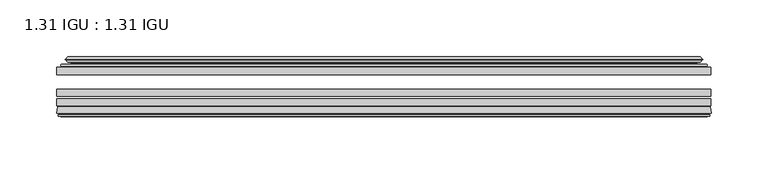
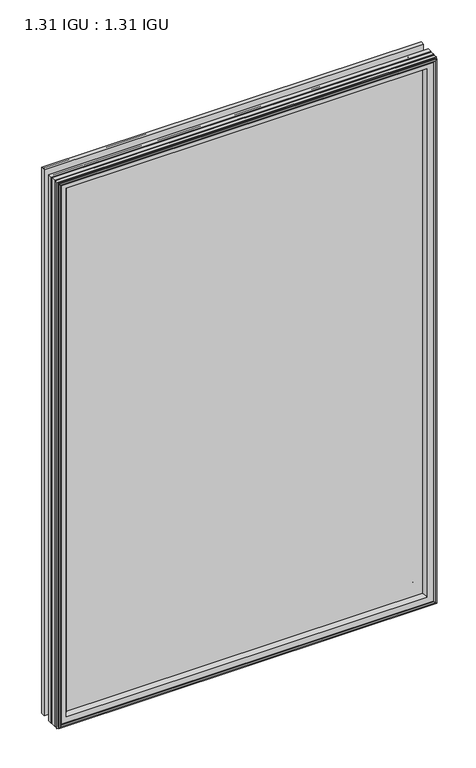
"""IFC4 building model written with IfcOpenShell, lengths in millimetres: plate geometry, 1.31 IGU : 1.31 IGU."""

from ifc_helpers import new_model, si_unit, frame, origin, place, context, project, spatial, polyline, ellipse_curve, outline, extrude, source, transform, mapped, element, save
from ifc_brep_helpers import plane_surface, cylinder_surface, revolved_surface, advanced_brep


def plate_1_31_igu_1_31_igu_9f698fa1(model_context):
    return source(origin(), model_context, "Body", "SolidModel", [
        extrude(outline(polyline([(287.2705532, -51.7723437), (287.2705532, -58.1223438), (-287.3375, -58.1223438), (-287.3375, -51.7723437), (287.2705532, -51.7723437)])), frame((0.0, 0.0, -14.2875), z_axis=(0.0, 0.0, 1.0), x_axis=(1.0, 0.0, 0.0)), (0.0, 0.0, 1.0), 873.125),
        extrude(outline(polyline([(-287.3375, -85.4273438), (-287.3375, -79.0773437), (287.2705532, -79.0773437), (287.2705532, -85.4273438), (-287.3375, -85.4273438)])), frame((0.0, 0.0, -14.2875), z_axis=(0.0, 0.0, 1.0), x_axis=(1.0, 0.0, 0.0)), (0.0, 0.0, 1.0), 873.125),
        extrude(outline(polyline([(-287.3375, -77.1723438), (-287.3375, -70.8223438), (287.2705532, -70.8223438), (287.2705532, -77.1723438), (-287.3375, -77.1723438)])), frame((0.0, 0.0, -14.2875), z_axis=(0.0, 0.0, 1.0), x_axis=(1.0, 0.0, 0.0)), (0.0, 0.0, 1.0), 873.125),
        advanced_brep(
        [(-287.3502, -91.7773437, 858.8502), (-286.6554162, -86.1187838, 858.1554162), (-286.6554162, -86.1187838, -13.6054162), (-287.3502, -91.7773437, -14.3002), (-284.9626, -93.768408, 856.4626), (-285.4198, -91.7773437, 856.9198), (-285.4198, -91.7773437, -12.3698), (-284.9626, -93.768408, -11.9126), (-285.9639619, -93.5000939, 857.4639619), (-285.9639619, -93.5000939, -12.9139619), (-286.2072, -94.407871, 857.7072), (-286.2072, -94.407871, -13.1572), (-284.1752, -94.9523437, 855.6752), (-284.1752, -94.9523437, -11.1252), (-282.1432, -94.407871, 853.6432), (-282.1432, -94.407871, -9.0932), (-282.3864381, -93.5000939, 853.8864381), (-282.3864381, -93.5000939, -9.3364381), (-283.3878, -93.768408, 854.8878), (-283.3878, -93.768408, -10.3378), (-282.9306, -91.7773437, 854.4306), (-282.9306, -91.7773437, -9.8806), (-268.8609786, -85.4273437, 840.3609786), (-273.05, -91.7773437, 844.55), (-273.05, -91.7773437, 0.0), (-268.8609786, -85.4273437, 4.1890214), (-285.8738854, -85.4273437, 857.3738854), (-285.8738854, -85.4273437, -12.8238854), (286.6554162, -86.1187838, -13.6054162), (287.3502, -91.7773437, -14.3002), (285.4198, -91.7773437, -12.3698), (284.9626, -93.768408, -11.9126), (285.9639619, -93.5000939, -12.9139619), (286.2072, -94.407871, -13.1572), (284.1752, -94.9523437, -11.1252), (282.1432, -94.407871, -9.0932), (282.3864381, -93.5000939, -9.3364381), (283.3878, -93.768408, -10.3378), (282.9306, -91.7773437, -9.8806), (273.05, -91.7773437, 0.0), (268.8609786, -85.4273437, 4.1890214), (285.8738854, -85.4273437, -12.8238854), (286.6554162, -86.1187838, 858.1554162), (287.3502, -91.7773437, 858.8502), (285.4198, -91.7773437, 856.9198), (284.9626, -93.768408, 856.4626), (285.9639619, -93.5000939, 857.4639619), (286.2072, -94.407871, 857.7072), (284.1752, -94.9523437, 855.6752), (282.1432, -94.407871, 853.6432), (282.3864381, -93.5000939, 853.8864381), (283.3878, -93.768408, 854.8878), (282.9306, -91.7773437, 854.4306), (273.05, -91.7773437, 844.55), (268.8609786, -85.4273437, 840.3609786), (285.8738854, -85.4273437, 857.3738854)],
        [
            (0, 1),
            (1, 2),
            (2, 3),
            (3, 0),
            (4, 5),
            (5, 6),
            (6, 7),
            (7, 4),
            (8, 4),
            (7, 9),
            (9, 8),
            (10, 8),
            (9, 11),
            (11, 10),
            (12, 10),
            (11, 13),
            (13, 12),
            (14, 12),
            (13, 15),
            (15, 14),
            (16, 14),
            (15, 17),
            (17, 16),
            (18, 16),
            (17, 19),
            (19, 18),
            (20, 18),
            (19, 21),
            (21, 20),
            (22, 23, ellipse_curve(frame((-266.066106, -91.8278132, 837.566106), z_axis=(0.7071067811865475, 0.0, 0.7071067811865475), x_axis=(0.7071067811865474, 0.0, -0.7071067811865476)), 9.8769754, 6.9840763)),
            (23, 24),
            (24, 25, ellipse_curve(frame((-266.066106, -91.8278132, 6.983894), z_axis=(0.7071067811865475, 0.0, -0.7071067811865475), x_axis=(-0.7071067811865474, 0.0, -0.7071067811865476)), 9.8769754, 6.9840763)),
            (25, 22),
            (1, 26, ellipse_curve(frame((-285.8738854, -86.2147437, 857.3738854), z_axis=(-0.7071067811865475, 0.0, -0.7071067811865475), x_axis=(-0.7071067811865474, 0.0, 0.7071067811865476)), 1.1135518, 0.7874)),
            (26, 27),
            (27, 2, ellipse_curve(frame((-285.8738854, -86.2147437, -12.8238854), z_axis=(-0.7071067811865475, 0.0, 0.7071067811865475), x_axis=(0.7071067811865474, 0.0, 0.7071067811865476)), 1.1135518, 0.7874)),
            (2, 28),
            (28, 29),
            (29, 3),
            (6, 30),
            (30, 31),
            (31, 7),
            (31, 32),
            (32, 9),
            (32, 33),
            (33, 11),
            (33, 34),
            (34, 13),
            (34, 35),
            (35, 15),
            (35, 36),
            (36, 17),
            (36, 37),
            (37, 19),
            (37, 38),
            (38, 21),
            (24, 39),
            (39, 40, ellipse_curve(frame((266.066106, -91.8278132, 6.983894), z_axis=(0.7071067811865475, 0.0, 0.7071067811865475), x_axis=(0.7071067811865476, 0.0, -0.7071067811865474)), 9.8769754, 6.9840763)),
            (40, 25),
            (27, 41),
            (41, 28, ellipse_curve(frame((285.8738854, -86.2147437, -12.8238854), z_axis=(-0.7071067811865475, 0.0, -0.7071067811865475), x_axis=(-0.7071067811865476, 0.0, 0.7071067811865474)), 1.1135518, 0.7874)),
            (28, 42),
            (42, 43),
            (43, 29),
            (30, 44),
            (44, 45),
            (45, 31),
            (45, 46),
            (46, 32),
            (46, 47),
            (47, 33),
            (47, 48),
            (48, 34),
            (48, 49),
            (49, 35),
            (49, 50),
            (50, 36),
            (50, 51),
            (51, 37),
            (51, 52),
            (52, 38),
            (39, 53),
            (53, 54, ellipse_curve(frame((266.066106, -91.8278132, 837.566106), z_axis=(-0.7071067811865475, 0.0, 0.7071067811865475), x_axis=(0.7071067811865474, 0.0, 0.7071067811865476)), 9.8769754, 6.9840763)),
            (54, 40),
            (41, 55),
            (55, 42, ellipse_curve(frame((285.8738854, -86.2147437, 857.3738854), z_axis=(0.7071067811865475, 0.0, -0.7071067811865475), x_axis=(-0.7071067811865474, 0.0, -0.7071067811865476)), 1.1135518, 0.7874)),
            (42, 1),
            (0, 43),
            (5, 44),
            (4, 45),
            (8, 46),
            (10, 47),
            (12, 48),
            (14, 49),
            (16, 50),
            (18, 51),
            (20, 52),
            (23, 53),
            (22, 54),
            (26, 55),
        ],
        [
            plane_surface(frame((-286.6554162, -86.1187838, 858.1554162), z_axis=(-0.9925461516413241, 0.12186934340513103, 0.0), x_axis=(0.0, 0.0, -1.0))),
            plane_surface(frame((-285.4198, -91.7773437, 856.9198), z_axis=(-0.9746347637895992, -0.22380142361654515, 0.0), x_axis=(0.0, 0.0, -1.0))),
            plane_surface(frame((-284.9626, -93.768408, 856.4626), z_axis=(0.25881904510266784, 0.9659258262890289, 0.0), x_axis=(0.0, 0.0, -1.0))),
            plane_surface(frame((-285.9639619, -93.5000939, 857.4639619), z_axis=(-0.9659258262890449, 0.2588190451026083, 0.0), x_axis=(0.0, 0.0, -1.0))),
            plane_surface(frame((-286.2072, -94.407871, 857.7072), z_axis=(-0.25881904510250453, -0.9659258262890726, 0.0), x_axis=(0.0, 0.0, -1.0))),
            plane_surface(frame((-284.1752, -94.9523437, 855.6752), z_axis=(0.258819045102479, -0.9659258262890795, 0.0), x_axis=(0.0, 0.0, -1.0))),
            plane_surface(frame((-282.1432, -94.407871, 853.6432), z_axis=(0.9659258262890272, 0.25881904510267406, 0.0), x_axis=(0.0, 0.0, -1.0))),
            plane_surface(frame((-282.3864381, -93.5000939, 853.8864381), z_axis=(-0.25881904510234177, 0.9659258262891163, 0.0), x_axis=(0.0, 0.0, -1.0))),
            plane_surface(frame((-283.3878, -93.768408, 854.8878), z_axis=(0.9746347637895937, -0.22380142361656946, 0.0), x_axis=(0.0, 0.0, -1.0))),
            revolved_surface(polyline([(-273.0501823, -91.8278132, -0.00018228295277822326), (-273.0501823, -91.8278132, 844.5501822829527)]), (-266.066106, -91.8278132, 876.3), (0.0, 0.0, -1.0)),
            cylinder_surface(frame((-285.8738854, -86.2147437, 876.3), z_axis=(0.0, 0.0, 1.0), x_axis=(-1.0, 0.0, 0.0)), 0.7874),
            plane_surface(frame((-286.6554162, -86.1187838, -13.6054162), z_axis=(0.0, 0.12186934340512784, -0.9925461516413245), x_axis=(1.0, 0.0, 0.0))),
            plane_surface(frame((-285.4198, -91.7773437, -12.3698), z_axis=(0.0, -0.22380142361654828, -0.9746347637895986), x_axis=(1.0, 0.0, 0.0))),
            plane_surface(frame((-284.9626, -93.768408, -11.9126), z_axis=(0.0, 0.9659258262890298, 0.25881904510266474), x_axis=(1.0, 0.0, 0.0))),
            plane_surface(frame((-285.9639619, -93.5000939, -12.9139619), z_axis=(0.0, 0.25881904510260517, -0.9659258262890458), x_axis=(1.0, 0.0, 0.0))),
            plane_surface(frame((-286.2072, -94.407871, -13.1572), z_axis=(0.0, -0.9659258262890735, -0.2588190451025014), x_axis=(1.0, 0.0, 0.0))),
            plane_surface(frame((-284.1752, -94.9523437, -11.1252), z_axis=(0.0, -0.9659258262890786, 0.2588190451024821), x_axis=(1.0, 0.0, 0.0))),
            plane_surface(frame((-282.1432, -94.407871, -9.0932), z_axis=(0.0, 0.2588190451026772, 0.9659258262890265), x_axis=(1.0, 0.0, 0.0))),
            plane_surface(frame((-282.3864381, -93.5000939, -9.3364381), z_axis=(0.0, 0.9659258262891154, -0.2588190451023449), x_axis=(1.0, 0.0, 0.0))),
            plane_surface(frame((-283.3878, -93.768408, -10.3378), z_axis=(0.0, -0.22380142361656633, 0.9746347637895943), x_axis=(1.0, 0.0, 0.0))),
            revolved_surface(polyline([(273.0501822829527, -91.8278132, -0.00018229999999963553), (-273.0501822829527, -91.8278132, -0.00018229999999963553)]), (-304.8, -91.8278132, 6.983894), (1.0, 0.0, 0.0)),
            cylinder_surface(frame((-304.8, -86.2147437, -12.8238854), z_axis=(-1.0, 0.0, 0.0), x_axis=(0.0, 0.0, -1.0)), 0.7874),
            plane_surface(frame((286.6554162, -86.1187838, -13.6054162), z_axis=(0.992546151641325, 0.12186934340512465, 0.0), x_axis=(0.0, 0.0, 1.0))),
            plane_surface(frame((285.4198, -91.7773437, -12.3698), z_axis=(0.9746347637895978, -0.2238014236165514, 0.0), x_axis=(0.0, 0.0, 1.0))),
            plane_surface(frame((284.9626, -93.768408, -11.9126), z_axis=(-0.2588190451026616, 0.9659258262890307, 0.0), x_axis=(0.0, 0.0, 1.0))),
            plane_surface(frame((285.9639619, -93.5000939, -12.9139619), z_axis=(0.9659258262890467, 0.25881904510260206, 0.0), x_axis=(0.0, 0.0, 1.0))),
            plane_surface(frame((286.2072, -94.407871, -13.1572), z_axis=(0.2588190451024983, -0.9659258262890744, 0.0), x_axis=(0.0, 0.0, 1.0))),
            plane_surface(frame((284.1752, -94.9523437, -11.1252), z_axis=(-0.25881904510248527, -0.9659258262890779, 0.0), x_axis=(0.0, 0.0, 1.0))),
            plane_surface(frame((282.1432, -94.407871, -9.0932), z_axis=(-0.9659258262890256, 0.25881904510268033, 0.0), x_axis=(0.0, 0.0, 1.0))),
            plane_surface(frame((282.3864381, -93.5000939, -9.3364381), z_axis=(0.25881904510234804, 0.9659258262891146, 0.0), x_axis=(0.0, 0.0, 1.0))),
            plane_surface(frame((283.3878, -93.768408, -10.3378), z_axis=(-0.974634763789595, -0.2238014236165632, 0.0), x_axis=(0.0, 0.0, 1.0))),
            revolved_surface(polyline([(273.0501823, -91.8278132, 844.5501822829527), (273.0501823, -91.8278132, -0.0001822829527107217)]), (266.066106, -91.8278132, -31.75), (0.0, 0.0, 1.0)),
            cylinder_surface(frame((285.8738854, -86.2147437, -31.75), z_axis=(0.0, 0.0, -1.0), x_axis=(1.0, 0.0, 0.0)), 0.7874),
            plane_surface(frame((286.6554162, -86.1187838, 858.1554162), z_axis=(0.0, 0.12186934340512784, 0.9925461516413245), x_axis=(-1.0, 0.0, 0.0))),
            plane_surface(frame((287.3502, -91.7773437, 858.8502), z_axis=(0.0, -1.0, 0.0), x_axis=(-1.0, 0.0, 0.0))),
            plane_surface(frame((285.4198, -91.7773437, 856.9198), z_axis=(0.0, -0.22380142361654826, 0.9746347637895985), x_axis=(-1.0, 0.0, 0.0))),
            plane_surface(frame((284.9626, -93.768408, 856.4626), z_axis=(0.0, 0.9659258262890298, -0.25881904510266474), x_axis=(-1.0, 0.0, 0.0))),
            plane_surface(frame((285.9639619, -93.5000939, 857.4639619), z_axis=(0.0, 0.25881904510260517, 0.9659258262890458), x_axis=(-1.0, 0.0, 0.0))),
            plane_surface(frame((286.2072, -94.407871, 857.7072), z_axis=(0.0, -0.9659258262890735, 0.2588190451025014), x_axis=(-1.0, 0.0, 0.0))),
            plane_surface(frame((284.1752, -94.9523437, 855.6752), z_axis=(0.0, -0.9659258262890787, -0.25881904510248216), x_axis=(-1.0, 0.0, 0.0))),
            plane_surface(frame((282.1432, -94.407871, 853.6432), z_axis=(0.0, 0.2588190451026772, -0.9659258262890265), x_axis=(-1.0, 0.0, 0.0))),
            plane_surface(frame((282.3864381, -93.5000939, 853.8864381), z_axis=(0.0, 0.9659258262891155, 0.25881904510234494), x_axis=(-1.0, 0.0, 0.0))),
            plane_surface(frame((283.3878, -93.768408, 854.8878), z_axis=(0.0, -0.22380142361656633, -0.9746347637895943), x_axis=(-1.0, 0.0, 0.0))),
            plane_surface(frame((282.9306, -91.7773437, 854.4306), z_axis=(0.0, -1.0, 0.0), x_axis=(-1.0, 0.0, 0.0))),
            revolved_surface(polyline([(-273.0501822829527, -91.8278132, 844.5501823), (273.0501822829527, -91.8278132, 844.5501823)]), (304.8, -91.8278132, 837.566106), (-1.0, 0.0, 0.0)),
            plane_surface(frame((268.8609786, -85.4273437, 840.3609786), z_axis=(0.0, 1.0, 0.0), x_axis=(-1.0, 0.0, 0.0))),
            cylinder_surface(frame((304.8, -86.2147437, 857.3738854), z_axis=(1.0, 0.0, 0.0), x_axis=(0.0, 0.0, 1.0)), 0.7874),
        ],
        [
            (0, [[1, 2, 3, 4]]),
            (1, [[5, 6, 7, 8]]),
            (2, [[9, -8, 10, 11]]),
            (3, [[12, -11, 13, 14]]),
            (4, [[15, -14, 16, 17]]),
            (5, [[18, -17, 19, 20]]),
            (6, [[21, -20, 22, 23]]),
            (7, [[24, -23, 25, 26]]),
            (8, [[27, -26, 28, 29]]),
            (9, [[30, 31, 32, 33]]),
            (10, [[34, 35, 36, -2]]),
            (11, [[-3, 37, 38, 39]]),
            (12, [[-7, 40, 41, 42]]),
            (13, [[-10, -42, 43, 44]]),
            (14, [[-13, -44, 45, 46]]),
            (15, [[-16, -46, 47, 48]]),
            (16, [[-19, -48, 49, 50]]),
            (17, [[-22, -50, 51, 52]]),
            (18, [[-25, -52, 53, 54]]),
            (19, [[-28, -54, 55, 56]]),
            (20, [[-32, 57, 58, 59]]),
            (21, [[-36, 60, 61, -37]]),
            (22, [[-38, 62, 63, 64]]),
            (23, [[-41, 65, 66, 67]]),
            (24, [[-43, -67, 68, 69]]),
            (25, [[-45, -69, 70, 71]]),
            (26, [[-47, -71, 72, 73]]),
            (27, [[-49, -73, 74, 75]]),
            (28, [[-51, -75, 76, 77]]),
            (29, [[-53, -77, 78, 79]]),
            (30, [[-55, -79, 80, 81]]),
            (31, [[-58, 82, 83, 84]]),
            (32, [[-61, 85, 86, -62]]),
            (33, [[-63, 87, -1, 88]]),
            (34, [[-39, -64, -88, -4], [89, -65, -40, -6]]),
            (35, [[-66, -89, -5, 90]]),
            (36, [[-68, -90, -9, 91]]),
            (37, [[-70, -91, -12, 92]]),
            (38, [[-72, -92, -15, 93]]),
            (39, [[-74, -93, -18, 94]]),
            (40, [[-76, -94, -21, 95]]),
            (41, [[-78, -95, -24, 96]]),
            (42, [[-80, -96, -27, 97]]),
            (43, [[-56, -81, -97, -29], [98, -82, -57, -31]]),
            (44, [[-83, -98, -30, 99]]),
            (45, [[100, -85, -60, -35], [-59, -84, -99, -33]]),
            (46, [[-86, -100, -34, -87]]),
        ],
    ),
        advanced_brep(
        [(-269.0022902, -50.6812421, 840.5022902), (-269.4441004, -51.7723437, 840.9441004), (-269.4441004, -51.7723437, 3.6058996), (-269.0022902, -50.6812421, 4.0477098), (-273.05, -42.9585437, 844.55), (-273.05, -42.9585437, 0.0), (-278.2359109, -44.1396428, 849.7359109), (-278.2359109, -44.1396428, -5.1859109), (-277.9063356, -43.3125262, 849.4063356), (-277.9063356, -43.3125262, -4.8563356), (-277.9063356, -42.4982749, 849.4063356), (-277.9063356, -42.4982749, -4.8563356), (-279.7226111, -44.4569108, 851.2226111), (-279.7226111, -44.4569108, -6.6726111), (-279.7226111, -45.1700367, 851.2226111), (-279.7226111, -45.1700367, -6.6726111), (-277.9063356, -47.1188911, 849.4063356), (-277.9063356, -47.1188911, -4.8563356), (-277.9063356, -46.3144213, 849.4063356), (-277.9063356, -46.3144213, -4.8563356), (-278.2282501, -45.5065305, 849.7282501), (-278.2282501, -45.5065305, -5.1782501), (-275.7044379, -45.3481387, 847.2044379), (-275.7044379, -45.3481387, -2.6544379), (-274.6786217, -46.0358481, 846.1786217), (-274.6786217, -46.0358481, -1.6286217), (-274.7970288, -47.4303169, 846.2970288), (-274.7970288, -47.4303169, -1.7470288), (-275.3987748, -48.9275437, 846.8987748), (-275.3987748, -48.9275437, -2.3487748), (-283.3245553, -50.8359667, 854.8245553), (-282.8389245, -48.9275437, 854.3389245), (-282.8389245, -48.9275437, -9.7889245), (-283.3245553, -50.8359667, -10.2745553), (-281.6038155, -51.7723437, 853.1038155), (-281.6038155, -51.7723437, -8.5538155), (269.4441004, -51.7723437, 3.6058996), (269.0022902, -50.6812421, 4.0477098), (273.05, -42.9585437, 0.0), (278.2359109, -44.1396428, -5.1859109), (277.9063356, -43.3125262, -4.8563356), (277.9063356, -42.4982749, -4.8563356), (279.7226111, -44.4569108, -6.6726111), (279.7226111, -45.1700367, -6.6726111), (277.9063356, -47.1188911, -4.8563356), (277.9063356, -46.3144213, -4.8563356), (278.2282501, -45.5065305, -5.1782501), (275.7044379, -45.3481387, -2.6544379), (274.6786217, -46.0358481, -1.6286217), (274.7970288, -47.4303169, -1.7470288), (275.3987748, -48.9275437, -2.3487748), (282.8389245, -48.9275437, -9.7889245), (283.3245553, -50.8359667, -10.2745553), (281.6038155, -51.7723437, -8.5538155), (269.4441004, -51.7723437, 840.9441004), (269.0022902, -50.6812421, 840.5022902), (273.05, -42.9585437, 844.55), (278.2359109, -44.1396428, 849.7359109), (277.9063356, -43.3125262, 849.4063356), (277.9063356, -42.4982749, 849.4063356), (279.7226111, -44.4569108, 851.2226111), (279.7226111, -45.1700367, 851.2226111), (277.9063356, -47.1188911, 849.4063356), (277.9063356, -46.3144213, 849.4063356), (278.2282501, -45.5065305, 849.7282501), (275.7044379, -45.3481387, 847.2044379), (274.6786217, -46.0358481, 846.1786217), (274.7970288, -47.4303169, 846.2970288), (275.3987748, -48.9275437, 846.8987748), (282.8389245, -48.9275437, 854.3389245), (283.3245553, -50.8359667, 854.8245553), (281.6038155, -51.7723437, 853.1038155)],
        [
            (0, 1, ellipse_curve(frame((-269.4441004, -51.1373437, 840.9441004), z_axis=(-0.7071067811865475, 0.0, -0.7071067811865475), x_axis=(-0.7071067811865474, 0.0, 0.7071067811865476)), 0.8980256, 0.635)),
            (1, 2),
            (2, 3, ellipse_curve(frame((-269.4441004, -51.1373437, 3.6058996), z_axis=(-0.7071067811865475, 0.0, 0.7071067811865475), x_axis=(0.7071067811865474, 0.0, 0.7071067811865476)), 0.8980256, 0.635)),
            (3, 0),
            (4, 0, ellipse_curve(frame((-259.3172054, -40.6828682, 830.8172054), z_axis=(0.7071067811865475, 0.0, 0.7071067811865475), x_axis=(0.7071067811865474, 0.0, -0.7071067811865476)), 19.6859517, 13.9200699)),
            (3, 5, ellipse_curve(frame((-259.3172054, -40.6828682, 13.7327946), z_axis=(0.7071067811865475, 0.0, -0.7071067811865475), x_axis=(-0.7071067811865474, 0.0, -0.7071067811865476)), 19.6859517, 13.9200699)),
            (5, 4),
            (6, 4),
            (5, 7),
            (7, 6),
            (8, 6),
            (7, 9),
            (9, 8),
            (10, 8),
            (9, 11),
            (11, 10),
            (12, 10),
            (11, 13),
            (13, 12),
            (14, 12, ellipse_curve(frame((-279.3607729, -44.8134737, 850.8607729), z_axis=(-0.7071067811865475, 0.0, -0.7071067811865475), x_axis=(-0.7071067811865474, 0.0, 0.7071067811865476)), 0.7184205, 0.508)),
            (13, 15, ellipse_curve(frame((-279.3607729, -44.8134737, -6.3107729), z_axis=(-0.7071067811865475, 0.0, 0.7071067811865475), x_axis=(0.7071067811865474, 0.0, 0.7071067811865476)), 0.7184205, 0.508)),
            (15, 14),
            (16, 14),
            (15, 17),
            (17, 16),
            (18, 16),
            (17, 19),
            (19, 18),
            (20, 18),
            (19, 21),
            (21, 20),
            (22, 20),
            (21, 23),
            (23, 22),
            (24, 22, ellipse_curve(frame((-275.6408, -46.3621437, 847.1408), z_axis=(0.7071067811865475, 0.0, 0.7071067811865475), x_axis=(0.7071067811865474, 0.0, -0.7071067811865476)), 1.436841, 1.016)),
            (23, 25, ellipse_curve(frame((-275.6408, -46.3621437, -2.5908), z_axis=(0.7071067811865475, 0.0, -0.7071067811865475), x_axis=(-0.7071067811865474, 0.0, -0.7071067811865476)), 1.436841, 1.016)),
            (25, 24),
            (26, 24, ellipse_curve(frame((-277.0124, -46.5399437, 848.5124), z_axis=(0.7071067811865475, 0.0, 0.7071067811865475), x_axis=(0.7071067811865474, 0.0, -0.7071067811865476)), 3.3765763, 2.3876)),
            (25, 27, ellipse_curve(frame((-277.0124, -46.5399437, -3.9624), z_axis=(0.7071067811865475, 0.0, -0.7071067811865475), x_axis=(-0.7071067811865474, 0.0, -0.7071067811865476)), 3.3765763, 2.3876)),
            (27, 26),
            (28, 26),
            (27, 29),
            (29, 28),
            (30, 31, ellipse_curve(frame((-282.8389245, -49.9435437, 854.3389245), z_axis=(-0.7071067811865475, 0.0, -0.7071067811865475), x_axis=(-0.7071067811865474, 0.0, 0.7071067811865476)), 1.436841, 1.016)),
            (31, 32),
            (32, 33, ellipse_curve(frame((-282.8389245, -49.9435437, -9.7889245), z_axis=(-0.7071067811865475, 0.0, 0.7071067811865475), x_axis=(0.7071067811865474, 0.0, 0.7071067811865476)), 1.436841, 1.016)),
            (33, 30),
            (34, 30),
            (33, 35),
            (35, 34),
            (2, 36),
            (36, 37, ellipse_curve(frame((269.4441004, -51.1373437, 3.6058996), z_axis=(-0.7071067811865475, 0.0, -0.7071067811865475), x_axis=(-0.7071067811865476, 0.0, 0.7071067811865474)), 0.8980256, 0.635)),
            (37, 3),
            (37, 38, ellipse_curve(frame((259.3172054, -40.6828682, 13.7327946), z_axis=(0.7071067811865475, 0.0, 0.7071067811865475), x_axis=(0.7071067811865476, 0.0, -0.7071067811865474)), 19.6859517, 13.9200699)),
            (38, 5),
            (38, 39),
            (39, 7),
            (39, 40),
            (40, 9),
            (40, 41),
            (41, 11),
            (41, 42),
            (42, 13),
            (42, 43, ellipse_curve(frame((279.3607729, -44.8134737, -6.3107729), z_axis=(-0.7071067811865475, 0.0, -0.7071067811865475), x_axis=(-0.7071067811865476, 0.0, 0.7071067811865474)), 0.7184205, 0.508)),
            (43, 15),
            (43, 44),
            (44, 17),
            (44, 45),
            (45, 19),
            (45, 46),
            (46, 21),
            (46, 47),
            (47, 23),
            (47, 48, ellipse_curve(frame((275.6408, -46.3621437, -2.5908), z_axis=(0.7071067811865475, 0.0, 0.7071067811865475), x_axis=(0.7071067811865476, 0.0, -0.7071067811865474)), 1.436841, 1.016)),
            (48, 25),
            (48, 49, ellipse_curve(frame((277.0124, -46.5399437, -3.9624), z_axis=(0.7071067811865475, 0.0, 0.7071067811865475), x_axis=(0.7071067811865476, 0.0, -0.7071067811865474)), 3.3765763, 2.3876)),
            (49, 27),
            (49, 50),
            (50, 29),
            (32, 51),
            (51, 52, ellipse_curve(frame((282.8389245, -49.9435437, -9.7889245), z_axis=(-0.7071067811865475, 0.0, -0.7071067811865475), x_axis=(-0.7071067811865476, 0.0, 0.7071067811865474)), 1.436841, 1.016)),
            (52, 33),
            (52, 53),
            (53, 35),
            (36, 54),
            (54, 55, ellipse_curve(frame((269.4441004, -51.1373437, 840.9441004), z_axis=(0.7071067811865475, 0.0, -0.7071067811865475), x_axis=(-0.7071067811865474, 0.0, -0.7071067811865476)), 0.8980256, 0.635)),
            (55, 37),
            (55, 56, ellipse_curve(frame((259.3172054, -40.6828682, 830.8172054), z_axis=(-0.7071067811865475, 0.0, 0.7071067811865475), x_axis=(0.7071067811865474, 0.0, 0.7071067811865476)), 19.6859517, 13.9200699)),
            (56, 38),
            (56, 57),
            (57, 39),
            (57, 58),
            (58, 40),
            (58, 59),
            (59, 41),
            (59, 60),
            (60, 42),
            (60, 61, ellipse_curve(frame((279.3607729, -44.8134737, 850.8607729), z_axis=(0.7071067811865475, 0.0, -0.7071067811865475), x_axis=(-0.7071067811865474, 0.0, -0.7071067811865476)), 0.7184205, 0.508)),
            (61, 43),
            (61, 62),
            (62, 44),
            (62, 63),
            (63, 45),
            (63, 64),
            (64, 46),
            (64, 65),
            (65, 47),
            (65, 66, ellipse_curve(frame((275.6408, -46.3621437, 847.1408), z_axis=(-0.7071067811865475, 0.0, 0.7071067811865475), x_axis=(0.7071067811865474, 0.0, 0.7071067811865476)), 1.436841, 1.016)),
            (66, 48),
            (66, 67, ellipse_curve(frame((277.0124, -46.5399437, 848.5124), z_axis=(-0.7071067811865475, 0.0, 0.7071067811865475), x_axis=(0.7071067811865474, 0.0, 0.7071067811865476)), 3.3765763, 2.3876)),
            (67, 49),
            (67, 68),
            (68, 50),
            (51, 69),
            (69, 70, ellipse_curve(frame((282.8389245, -49.9435437, 854.3389245), z_axis=(0.7071067811865475, 0.0, -0.7071067811865475), x_axis=(-0.7071067811865474, 0.0, -0.7071067811865476)), 1.436841, 1.016)),
            (70, 52),
            (70, 71),
            (71, 53),
            (54, 1),
            (0, 55),
            (4, 56),
            (6, 57),
            (8, 58),
            (10, 59),
            (12, 60),
            (14, 61),
            (16, 62),
            (18, 63),
            (20, 64),
            (22, 65),
            (24, 66),
            (26, 67),
            (28, 68),
            (31, 69),
            (30, 70),
            (34, 71),
        ],
        [
            cylinder_surface(frame((-269.4441004, -51.1373437, 876.3), z_axis=(0.0, 0.0, 1.0), x_axis=(-1.0, 0.0, 0.0)), 0.635),
            revolved_surface(polyline([(-273.23727529999996, -40.6828682, -0.18727534118079348), (-273.23727529999996, -40.6828682, 844.7372753411809)]), (-259.3172054, -40.6828682, 876.3), (0.0, 0.0, -1.0)),
            plane_surface(frame((-273.05, -42.9585437, 844.55), z_axis=(-0.22206498442778808, 0.9750318675259215, 0.0), x_axis=(0.0, 0.0, -1.0))),
            plane_surface(frame((-278.2359109, -44.1396428, 849.7359109), z_axis=(0.9289682685629942, -0.3701593656833133, 0.0), x_axis=(0.0, 0.0, -1.0))),
            plane_surface(frame((-277.9063356, -43.3125262, 849.4063356), z_axis=(1.0, 0.0, 0.0), x_axis=(0.0, 0.0, -1.0))),
            plane_surface(frame((-277.9063356, -42.4982749, 849.4063356), z_axis=(-0.7332521292723948, 0.6799568478348454, 0.0), x_axis=(0.0, 0.0, -1.0))),
            cylinder_surface(frame((-279.3607729, -44.8134737, 876.3), z_axis=(0.0, 0.0, 1.0), x_axis=(-1.0, 0.0, 0.0)), 0.508),
            plane_surface(frame((-279.7226111, -45.1700367, 851.2226111), z_axis=(-0.7315522693036389, -0.6817853601220082, 0.0), x_axis=(0.0, 0.0, -1.0))),
            plane_surface(frame((-277.9063356, -47.1188911, 849.4063356), z_axis=(1.0, 0.0, 0.0), x_axis=(0.0, 0.0, -1.0))),
            plane_surface(frame((-277.9063356, -46.3144213, 849.4063356), z_axis=(0.9289682685631103, 0.37015936568302166, 0.0), x_axis=(0.0, 0.0, -1.0))),
            plane_surface(frame((-278.2282501, -45.5065305, 849.7282501), z_axis=(0.06263570119321646, -0.9980364567169048, 0.0), x_axis=(0.0, 0.0, -1.0))),
            revolved_surface(polyline([(-276.65680000000003, -46.3621437, -3.606800014586838), (-276.65680000000003, -46.3621437, 848.1568000145869)]), (-275.6408, -46.3621437, 876.3), (0.0, 0.0, -1.0)),
            revolved_surface(polyline([(-279.40000000000003, -46.5399437, -6.3499999989237494), (-279.40000000000003, -46.5399437, 850.8999999989237)]), (-277.0124, -46.5399437, 876.3), (0.0, 0.0, -1.0)),
            plane_surface(frame((-274.7970288, -47.4303169, 846.2970288), z_axis=(-0.927865292542892, 0.3729155385530262, 0.0), x_axis=(0.0, 0.0, -1.0))),
            cylinder_surface(frame((-282.8389245, -49.9435437, 876.3), z_axis=(0.0, 0.0, 1.0), x_axis=(-1.0, 0.0, 0.0)), 1.016),
            plane_surface(frame((-283.3245553, -50.8359667, 854.8245553), z_axis=(-0.477983117370979, -0.8783690223979447, 0.0), x_axis=(0.0, 0.0, -1.0))),
            cylinder_surface(frame((-304.8, -51.1373437, 3.6058996), z_axis=(-1.0, 0.0, 0.0), x_axis=(0.0, 0.0, -1.0)), 0.635),
            revolved_surface(polyline([(273.2372753411808, -40.6828682, -0.1872752999999996), (-273.2372753411808, -40.6828682, -0.1872752999999996)]), (-304.8, -40.6828682, 13.7327946), (1.0, 0.0, 0.0)),
            plane_surface(frame((-273.05, -42.9585437, 0.0), z_axis=(0.0, 0.9750318675259209, -0.2220649844277912), x_axis=(1.0, 0.0, 0.0))),
            plane_surface(frame((-278.2359109, -44.1396428, -5.1859109), z_axis=(0.0, -0.3701593656833103, 0.9289682685629954), x_axis=(1.0, 0.0, 0.0))),
            plane_surface(frame((-277.9063356, -43.3125262, -4.8563356), z_axis=(0.0, 0.0, 1.0), x_axis=(1.0, 0.0, 0.0))),
            plane_surface(frame((-277.9063356, -42.4982749, -4.8563356), z_axis=(0.0, 0.6799568478348431, -0.733252129272397), x_axis=(1.0, 0.0, 0.0))),
            cylinder_surface(frame((-304.8, -44.8134737, -6.3107729), z_axis=(-1.0, 0.0, 0.0), x_axis=(0.0, 0.0, -1.0)), 0.508),
            plane_surface(frame((-279.7226111, -45.1700367, -6.6726111), z_axis=(0.0, -0.6817853601220105, -0.7315522693036367), x_axis=(1.0, 0.0, 0.0))),
            plane_surface(frame((-277.9063356, -47.1188911, -4.8563356), z_axis=(0.0, 0.0, 1.0), x_axis=(1.0, 0.0, 0.0))),
            plane_surface(frame((-277.9063356, -46.3144213, -4.8563356), z_axis=(0.0, 0.37015936568302465, 0.9289682685631091), x_axis=(1.0, 0.0, 0.0))),
            plane_surface(frame((-278.2282501, -45.5065305, -5.1782501), z_axis=(0.0, -0.9980364567169046, 0.06263570119321968), x_axis=(1.0, 0.0, 0.0))),
            revolved_surface(polyline([(276.65680001458696, -46.3621437, -3.6068000000000002), (-276.65680001458685, -46.3621437, -3.6068000000000002)]), (-304.8, -46.3621437, -2.5908), (1.0, 0.0, 0.0)),
            revolved_surface(polyline([(279.39999999892376, -46.5399437, -6.35), (-279.3999999989238, -46.5399437, -6.35)]), (-304.8, -46.5399437, -3.9624), (1.0, 0.0, 0.0)),
            plane_surface(frame((-274.7970288, -47.4303169, -1.7470288), z_axis=(0.0, 0.37291553855302323, -0.9278652925428932), x_axis=(1.0, 0.0, 0.0))),
            cylinder_surface(frame((-304.8, -49.9435437, -9.7889245), z_axis=(-1.0, 0.0, 0.0), x_axis=(0.0, 0.0, -1.0)), 1.016),
            plane_surface(frame((-283.3245553, -50.8359667, -10.2745553), z_axis=(0.0, -0.8783690223979462, -0.47798311737097615), x_axis=(1.0, 0.0, 0.0))),
            cylinder_surface(frame((269.4441004, -51.1373437, -31.75), z_axis=(0.0, 0.0, -1.0), x_axis=(1.0, 0.0, 0.0)), 0.635),
            revolved_surface(polyline([(273.23727529999996, -40.6828682, 844.7372753411809), (273.23727529999996, -40.6828682, -0.1872753411808432)]), (259.3172054, -40.6828682, -31.75), (0.0, 0.0, 1.0)),
            plane_surface(frame((273.05, -42.9585437, 0.0), z_axis=(0.22206498442779435, 0.9750318675259202, 0.0), x_axis=(0.0, 0.0, 1.0))),
            plane_surface(frame((278.2359109, -44.1396428, -5.1859109), z_axis=(-0.9289682685629966, -0.3701593656833073, 0.0), x_axis=(0.0, 0.0, 1.0))),
            plane_surface(frame((277.9063356, -43.3125262, -4.8563356), z_axis=(-1.0, 0.0, 0.0), x_axis=(0.0, 0.0, 1.0))),
            plane_surface(frame((277.9063356, -42.4982749, -4.8563356), z_axis=(0.7332521292723992, 0.6799568478348408, 0.0), x_axis=(0.0, 0.0, 1.0))),
            cylinder_surface(frame((279.3607729, -44.8134737, -31.75), z_axis=(0.0, 0.0, -1.0), x_axis=(1.0, 0.0, 0.0)), 0.508),
            plane_surface(frame((279.7226111, -45.1700367, -6.6726111), z_axis=(0.7315522693036345, -0.6817853601220129, 0.0), x_axis=(0.0, 0.0, 1.0))),
            plane_surface(frame((277.9063356, -47.1188911, -4.8563356), z_axis=(-1.0, 0.0, 0.0), x_axis=(0.0, 0.0, 1.0))),
            plane_surface(frame((277.9063356, -46.3144213, -4.8563356), z_axis=(-0.928968268563108, 0.3701593656830277, 0.0), x_axis=(0.0, 0.0, 1.0))),
            plane_surface(frame((278.2282501, -45.5065305, -5.1782501), z_axis=(-0.0626357011932229, -0.9980364567169043, 0.0), x_axis=(0.0, 0.0, 1.0))),
            revolved_surface(polyline([(276.65680000000003, -46.3621437, 848.1568000145869), (276.65680000000003, -46.3621437, -3.606800014586863)]), (275.6408, -46.3621437, -31.75), (0.0, 0.0, 1.0)),
            revolved_surface(polyline([(279.40000000000003, -46.5399437, 850.8999999989237), (279.40000000000003, -46.5399437, -6.349999998923781)]), (277.0124, -46.5399437, -31.75), (0.0, 0.0, 1.0)),
            plane_surface(frame((274.7970288, -47.4303169, -1.7470288), z_axis=(0.9278652925428944, 0.37291553855302023, 0.0), x_axis=(0.0, 0.0, 1.0))),
            cylinder_surface(frame((282.8389245, -49.9435437, -31.75), z_axis=(0.0, 0.0, -1.0), x_axis=(1.0, 0.0, 0.0)), 1.016),
            plane_surface(frame((283.3245553, -50.8359667, -10.2745553), z_axis=(0.4779831173709733, -0.8783690223979478, 0.0), x_axis=(0.0, 0.0, 1.0))),
            cylinder_surface(frame((304.8, -51.1373437, 840.9441004), z_axis=(1.0, 0.0, 0.0), x_axis=(0.0, 0.0, 1.0)), 0.635),
            revolved_surface(polyline([(-273.2372753411808, -40.6828682, 844.7372753000001), (273.2372753411808, -40.6828682, 844.7372753000001)]), (304.8, -40.6828682, 830.8172054), (-1.0, 0.0, 0.0)),
            plane_surface(frame((273.05, -42.9585437, 844.55), z_axis=(0.0, 0.9750318675259209, 0.2220649844277912), x_axis=(-1.0, 0.0, 0.0))),
            plane_surface(frame((278.2359109, -44.1396428, 849.7359109), z_axis=(0.0, -0.3701593656833103, -0.9289682685629954), x_axis=(-1.0, 0.0, 0.0))),
            plane_surface(frame((277.9063356, -43.3125262, 849.4063356), z_axis=(0.0, 0.0, -1.0), x_axis=(-1.0, 0.0, 0.0))),
            plane_surface(frame((277.9063356, -42.4982749, 849.4063356), z_axis=(0.0, 0.6799568478348431, 0.733252129272397), x_axis=(-1.0, 0.0, 0.0))),
            cylinder_surface(frame((304.8, -44.8134737, 850.8607729), z_axis=(1.0, 0.0, 0.0), x_axis=(0.0, 0.0, 1.0)), 0.508),
            plane_surface(frame((279.7226111, -45.1700367, 851.2226111), z_axis=(0.0, -0.6817853601220105, 0.7315522693036367), x_axis=(-1.0, 0.0, 0.0))),
            plane_surface(frame((277.9063356, -47.1188911, 849.4063356), z_axis=(0.0, 0.0, -1.0), x_axis=(-1.0, 0.0, 0.0))),
            plane_surface(frame((277.9063356, -46.3144213, 849.4063356), z_axis=(0.0, 0.3701593656830247, -0.9289682685631092), x_axis=(-1.0, 0.0, 0.0))),
            plane_surface(frame((278.2282501, -45.5065305, 849.7282501), z_axis=(0.0, -0.9980364567169046, -0.06263570119321968), x_axis=(-1.0, 0.0, 0.0))),
            revolved_surface(polyline([(-276.65680001458696, -46.3621437, 848.1568), (276.65680001458685, -46.3621437, 848.1568)]), (304.8, -46.3621437, 847.1408), (-1.0, 0.0, 0.0)),
            revolved_surface(polyline([(-279.39999999892376, -46.5399437, 850.9), (279.3999999989238, -46.5399437, 850.9)]), (304.8, -46.5399437, 848.5124), (-1.0, 0.0, 0.0)),
            plane_surface(frame((274.7970288, -47.4303169, 846.2970288), z_axis=(0.0, 0.37291553855302323, 0.9278652925428932), x_axis=(-1.0, 0.0, 0.0))),
            plane_surface(frame((275.3987748, -48.9275437, 846.8987748), z_axis=(0.0, 1.0, 0.0), x_axis=(-1.0, 0.0, 0.0))),
            cylinder_surface(frame((304.8, -49.9435437, 854.3389245), z_axis=(1.0, 0.0, 0.0), x_axis=(0.0, 0.0, 1.0)), 1.016),
            plane_surface(frame((283.3245553, -50.8359667, 854.8245553), z_axis=(0.0, -0.8783690223979462, 0.47798311737097615), x_axis=(-1.0, 0.0, 0.0))),
            plane_surface(frame((281.6038155, -51.7723437, 853.1038155), z_axis=(0.0, -1.0, 0.0), x_axis=(-1.0, 0.0, 0.0))),
        ],
        [
            (0, [[1, 2, 3, 4]]),
            (1, [[5, -4, 6, 7]]),
            (2, [[8, -7, 9, 10]]),
            (3, [[11, -10, 12, 13]]),
            (4, [[14, -13, 15, 16]]),
            (5, [[17, -16, 18, 19]]),
            (6, [[20, -19, 21, 22]]),
            (7, [[23, -22, 24, 25]]),
            (8, [[26, -25, 27, 28]]),
            (9, [[29, -28, 30, 31]]),
            (10, [[32, -31, 33, 34]]),
            (11, [[35, -34, 36, 37]]),
            (12, [[38, -37, 39, 40]]),
            (13, [[41, -40, 42, 43]]),
            (14, [[44, 45, 46, 47]]),
            (15, [[48, -47, 49, 50]]),
            (16, [[-3, 51, 52, 53]]),
            (17, [[-6, -53, 54, 55]]),
            (18, [[-9, -55, 56, 57]]),
            (19, [[-12, -57, 58, 59]]),
            (20, [[-15, -59, 60, 61]]),
            (21, [[-18, -61, 62, 63]]),
            (22, [[-21, -63, 64, 65]]),
            (23, [[-24, -65, 66, 67]]),
            (24, [[-27, -67, 68, 69]]),
            (25, [[-30, -69, 70, 71]]),
            (26, [[-33, -71, 72, 73]]),
            (27, [[-36, -73, 74, 75]]),
            (28, [[-39, -75, 76, 77]]),
            (29, [[-42, -77, 78, 79]]),
            (30, [[-46, 80, 81, 82]]),
            (31, [[-49, -82, 83, 84]]),
            (32, [[-52, 85, 86, 87]]),
            (33, [[-54, -87, 88, 89]]),
            (34, [[-56, -89, 90, 91]]),
            (35, [[-58, -91, 92, 93]]),
            (36, [[-60, -93, 94, 95]]),
            (37, [[-62, -95, 96, 97]]),
            (38, [[-64, -97, 98, 99]]),
            (39, [[-66, -99, 100, 101]]),
            (40, [[-68, -101, 102, 103]]),
            (41, [[-70, -103, 104, 105]]),
            (42, [[-72, -105, 106, 107]]),
            (43, [[-74, -107, 108, 109]]),
            (44, [[-76, -109, 110, 111]]),
            (45, [[-78, -111, 112, 113]]),
            (46, [[-81, 114, 115, 116]]),
            (47, [[-83, -116, 117, 118]]),
            (48, [[-86, 119, -1, 120]]),
            (49, [[-88, -120, -5, 121]]),
            (50, [[-90, -121, -8, 122]]),
            (51, [[-92, -122, -11, 123]]),
            (52, [[-94, -123, -14, 124]]),
            (53, [[-96, -124, -17, 125]]),
            (54, [[-98, -125, -20, 126]]),
            (55, [[-100, -126, -23, 127]]),
            (56, [[-102, -127, -26, 128]]),
            (57, [[-104, -128, -29, 129]]),
            (58, [[-106, -129, -32, 130]]),
            (59, [[-108, -130, -35, 131]]),
            (60, [[-110, -131, -38, 132]]),
            (61, [[-112, -132, -41, 133]]),
            (62, [[134, -114, -80, -45], [-79, -113, -133, -43]]),
            (63, [[-115, -134, -44, 135]]),
            (64, [[-117, -135, -48, 136]]),
            (65, [[-84, -118, -136, -50], [-119, -85, -51, -2]]),
        ],
    ),
    ])


if __name__ == "__main__":
    model = new_model("IFC4")
    model_context = context("Model", 3, world=origin())
    ifc_project = project(units=[si_unit("LENGTHUNIT", "METRE", prefix="MILLI")], contexts=[model_context])
    site = spatial("IfcSite", under=ifc_project)
    building = spatial("IfcBuilding", under=site)
    placement = place(None, origin())
    plate_1_31_igu_1_31_igu_shape = plate_1_31_igu_1_31_igu_9f698fa1(model_context)
    element("IfcPlate", 1, ObjectType="1.31 IGU : 1.31 IGU", at=placement, inside=building, context=model_context, shape_type="MappedRepresentation", body=[
        mapped(plate_1_31_igu_1_31_igu_shape, transform((0.0, 0.0, 0.0), x_axis=(1.0, 0.0, 0.0), y_axis=(0.0, 1.0, 0.0), z_axis=(0.0, 0.0, 1.0))),
    ])
    save(model, "model.ifc")
